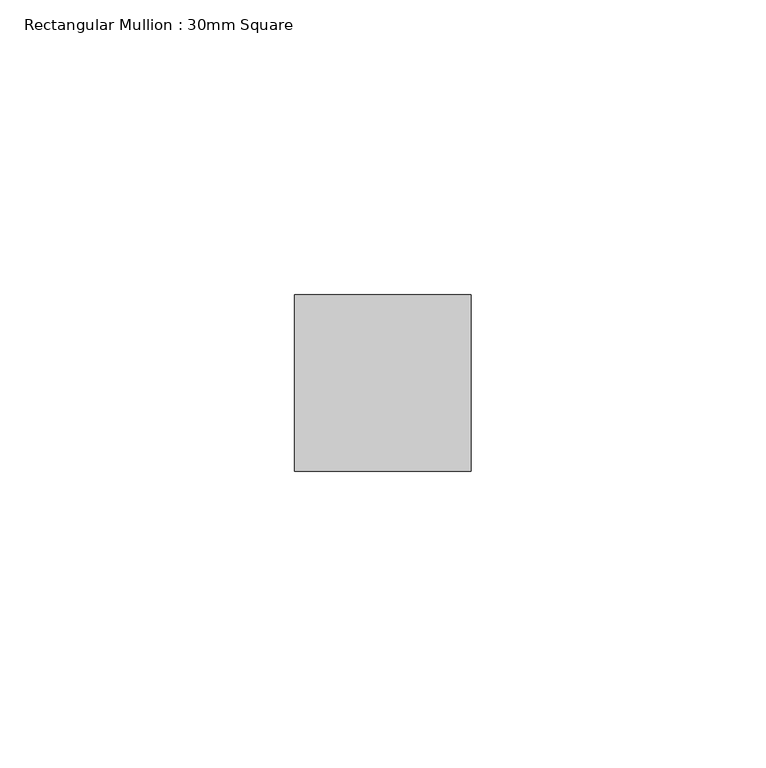
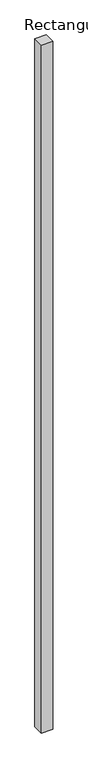
"""IFC4 building model written with IfcOpenShell, lengths in millimetres: member geometry, Rectangular Mullion : 30mm Square."""

from ifc_helpers import new_model, si_unit, frame, origin, place, context, project, spatial, polyline, outline, extrude, source, transform, mapped, element, save


def rectangular_mullion_30mm_square_5418ead5(model_context):
    return source(origin(), model_context, "Body", "SweptSolid", [
        extrude(outline(polyline([(15.0, 15.0), (15.0, -15.0), (-15.0, -15.0), (-15.0, 15.0), (15.0, 15.0)])), frame((0.0, 0.0, -1940.3411693), z_axis=(0.0, 0.0, 1.0), x_axis=(1.0, 0.0, 0.0)), (0.0, 0.0, 1.0), 1940.3411693),
    ])


if __name__ == "__main__":
    model = new_model("IFC4")
    model_context = context("Model", 3, world=origin())
    ifc_project = project(units=[si_unit("LENGTHUNIT", "METRE", prefix="MILLI")], contexts=[model_context])
    site = spatial("IfcSite", under=ifc_project)
    building = spatial("IfcBuilding", under=site)
    placement = place(None, origin())
    rectangular_mullion_30mm_square_shape = rectangular_mullion_30mm_square_5418ead5(model_context)
    element("IfcMember", 1, ObjectType="Rectangular Mullion : 30mm Square", at=placement, inside=building, context=model_context, shape_type="MappedRepresentation", body=[
        mapped(rectangular_mullion_30mm_square_shape, transform((0.0, 0.0, 0.0), x_axis=(1.0, 0.0, 0.0), y_axis=(0.0, 1.0, 0.0), z_axis=(0.0, 0.0, 1.0))),
    ])
    save(model, "model.ifc")
